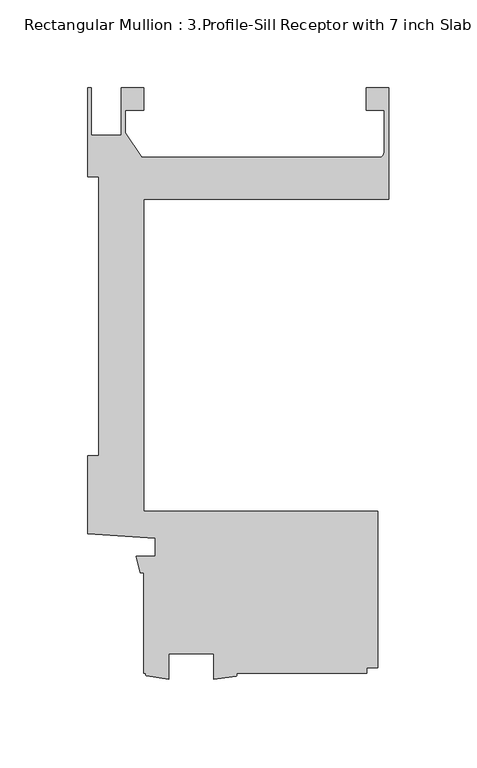
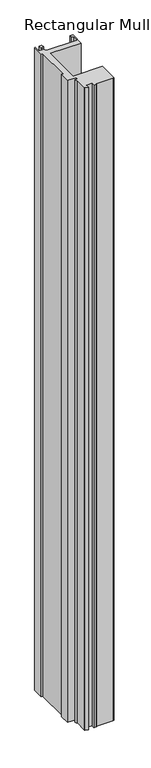
"""IFC4 building model written with IfcOpenShell, lengths in millimetres: member geometry, Rectangular Mullion : 3.Profile-Sill Receptor with 7 inch Slab Cover-Detail-1."""

from ifc_helpers import new_model, si_unit, point, frame, frame_2d, origin, place, context, project, spatial, polyline, circle_curve, trimmed, segment, composite_curve, outline, extrude, source, transform, mapped, element, save


def rectangular_mullion_3_profile_sill_receptor_with_7_inch_slab_2e6f91bf(model_context):
    return source(origin(), model_context, "Body", "SweptSolid", [
        extrude(outline(composite_curve([segment(polyline([(-171.4499999, 241.2999996), (-169.4179999, 241.2999996), (-169.4179999, 214.1401991), (-152.5173426, 214.1401991), (-152.5173426, 241.2999996), (-139.6770294, 241.2999996), (-139.6770294, 228.6254), (-149.9773426, 228.6254), (-149.9773426, 215.5945453), (-140.6789127, 201.5997996), (-4.3676768, 201.5997996)]), True, "CONTINUOUS"), segment(trimmed(circle_curve(frame_2d((-8.89, 206.0575)), 6.35), [point((-4.3676768, 201.5997996))], [point((-2.54, 206.0575))], True, "CARTESIAN"), True, "CONTINUOUS"), segment(polyline([(-2.54, 206.0575), (-2.54, 228.5746), (-12.720056, 228.5746), (-12.720056, 241.2746), (0.0, 241.2746), (0.0, 177.8), (-139.7010309, 177.8), (-139.7010309, 0.0), (-6.3510934, 0.0), (-6.3510934, -88.899973), (-12.7010309, -88.899973), (-12.7010309, -92.075127), (-87.0359444, -92.075127)]), True, "CONTINUOUS"), segment(trimmed(circle_curve(frame_2d((-87.4123549, -92.9094693)), 0.9153206), [point((-87.0359444, -92.075127))], [point((-87.0244531, -93.7385314))], False, "CARTESIAN"), True, "CONTINUOUS"), segment(polyline([(-87.0244531, -93.7385314), (-99.7975059, -95.5946487), (-99.7975059, -80.962627), (-125.1975059, -80.962627), (-125.1975059, -95.471127), (-137.9687934, -93.6610233)]), True, "CONTINUOUS"), segment(trimmed(circle_curve(frame_2d((-137.5126525, -92.8680751)), 0.9147848), [point((-137.9687934, -93.6610233))], [point((-137.9687934, -92.075127))], False, "CARTESIAN"), True, "CONTINUOUS"), segment(polyline([(-137.9687934, -92.075127), (-139.7010309, -92.075127), (-139.7010309, -34.925), (-141.4322951, -34.925), (-143.8744778, -25.4), (-133.0838609, -25.4), (-133.0838609, -15.24), (-171.4509973, -12.5822995), (-171.4509973, 31.75), (-165.3364335, 31.75), (-165.3364335, 190.4999996), (-171.4499999, 190.4999996), (-171.4499999, 241.2999996)]), True, "CONTINUOUS")], self_intersect=False)), frame((0.0, 0.0, -3048.0), z_axis=(0.0, 0.0, 1.0), x_axis=(1.0, 0.0, 0.0)), (0.0, 0.0, 1.0), 3048.0),
    ])


if __name__ == "__main__":
    model = new_model("IFC4")
    model_context = context("Model", 3, world=origin())
    ifc_project = project(units=[si_unit("LENGTHUNIT", "METRE", prefix="MILLI")], contexts=[model_context])
    site = spatial("IfcSite", under=ifc_project)
    building = spatial("IfcBuilding", under=site)
    placement = place(None, origin())
    rectangular_mullion_3_profile_sill_receptor_with_7_inch_slab_shape = rectangular_mullion_3_profile_sill_receptor_with_7_inch_slab_2e6f91bf(model_context)
    element("IfcMember", 1, ObjectType="Rectangular Mullion : 3.Profile-Sill Receptor with 7 inch Slab Cover-Detail-1", at=placement, inside=building, context=model_context, shape_type="MappedRepresentation", body=[
        mapped(rectangular_mullion_3_profile_sill_receptor_with_7_inch_slab_shape, transform((0.0, 0.0, 0.0), x_axis=(1.0, 0.0, 0.0), y_axis=(0.0, 1.0, 0.0), z_axis=(0.0, 0.0, 1.0))),
    ])
    save(model, "model.ifc")
